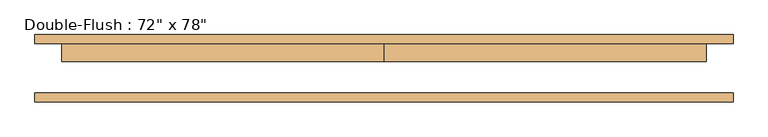
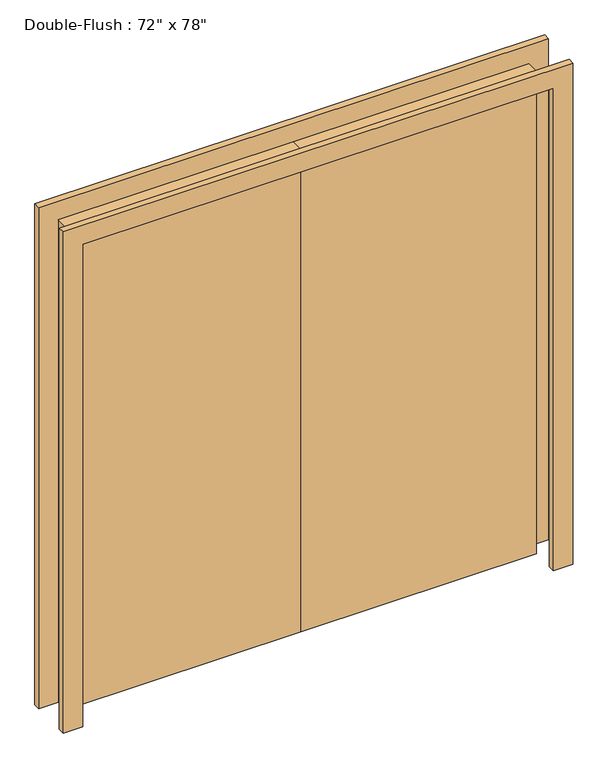
"""IFC4 building model written with IfcOpenShell, lengths in millimetres: door geometry."""

import ifcopenshell
import ifcopenshell.guid

model = None  # the IFC model being written
_history = None  # IfcOwnerHistory: only IFC2X3 demands one
_inside = {}  # id of a spatial element -> (the spatial element, [elements in it])
_under = {}  # id of a project, library or spatial element -> (it, [spatial elements below it])
_declared = {}  # id of a project -> (the project, [libraries it declares])
_typed = {}  # id of a type object -> (the type object, [elements of that type])
_made_of = {}  # id of a material, layer set ... -> (it, [elements and type objects made of it])


def new_model(schema):
    """Start an empty IFC model of exactly this schema.

    Asked for "IFC4X3", IfcOpenShell would pick the latest addendum, in which some entities
    have other attributes; the version numbers below select the first issue.
    IFC2X3 requires an IfcOwnerHistory on every rooted entity: one is made here for all.
    """
    global model, _history
    if schema == "IFC4X3":
        model = ifcopenshell.file(schema_version=(4, 3, 0, 0))
    else:
        model = ifcopenshell.file(schema=schema)
    _inside.clear()
    _under.clear()
    _declared.clear()
    _typed.clear()
    _made_of.clear()
    _history = None
    if model.schema == "IFC2X3":
        org = make("IfcOrganization", Name="unknown")
        user = make(
            "IfcPersonAndOrganization",
            ThePerson=make("IfcPerson", FamilyName="unknown"),
            TheOrganization=org,
        )
        app = make(
            "IfcApplication",
            ApplicationDeveloper=org,
            Version="unknown",
            ApplicationFullName="unknown",
            ApplicationIdentifier="unknown",
        )
        _history = make(
            "IfcOwnerHistory",
            OwningUser=user,
            OwningApplication=app,
            ChangeAction="ADDED",
            CreationDate=0,
        )
    return model


def make(cls, **values):
    """One entity of the class cls with the attributes given. An attribute that is None is left unset."""
    return model.create_entity(
        cls, **{name: value for name, value in values.items() if value is not None}
    )


def rooted(cls, **values):
    """An entity with a GlobalId (a new one), such as an element, a storey or a relation."""
    return make(cls, GlobalId=ifcopenshell.guid.new(), OwnerHistory=_history, **values)


def si_unit(unit_type, name, prefix=None):
    """IfcSIUnit, for example si_unit("LENGTHUNIT", "METRE", prefix="MILLI")."""
    return make("IfcSIUnit", UnitType=unit_type, Prefix=prefix, Name=name)


def assignment(units):
    """IfcUnitAssignment: the units of a project."""
    return None if units is None else make("IfcUnitAssignment", Units=units)


def point(xyz):
    """IfcCartesianPoint."""
    return None if xyz is None else make("IfcCartesianPoint", Coordinates=xyz)


def direction(xyz):
    """IfcDirection."""
    return None if xyz is None else make("IfcDirection", DirectionRatios=xyz)


def frame(location, z_axis=None, x_axis=None):
    """IfcAxis2Placement3D, a coordinate frame: its origin and axes. An axis left out is left unset."""
    return make(
        "IfcAxis2Placement3D",
        Location=point(location),
        Axis=direction(z_axis),
        RefDirection=direction(x_axis),
    )


def origin():
    """The frame at (0, 0, 0) with its axes left unset."""
    return frame((0.0, 0.0, 0.0))


def origin_with_axes():
    """The frame at (0, 0, 0) with the z axis (0, 0, 1) and the x axis (1, 0, 0) written out."""
    return frame((0.0, 0.0, 0.0), z_axis=(0.0, 0.0, 1.0), x_axis=(1.0, 0.0, 0.0))


def place(relative_to, where):
    """IfcLocalPlacement: puts the frame where relative to a parent placement (None: the world)."""
    return make(
        "IfcLocalPlacement", PlacementRelTo=relative_to, RelativePlacement=where
    )


def context(
    kind, dimensions, precision=None, world=None, true_north=None, identifier=None
):
    """IfcGeometricRepresentationContext, for example the 3D "Model" context."""
    return make(
        "IfcGeometricRepresentationContext",
        ContextIdentifier=identifier,
        ContextType=kind,
        CoordinateSpaceDimension=dimensions,
        Precision=precision,
        WorldCoordinateSystem=world,
        TrueNorth=true_north,
    )


def project(units=None, contexts=None):
    """IfcProject with its units and contexts."""
    return rooted(
        "IfcProject",
        Name="project",
        RepresentationContexts=contexts,
        UnitsInContext=assignment(units),
    )


def spatial(cls, under=None, at=None, **own):
    """A site, building, storey or space (cls), placed at a placement, below another one or the project."""
    s = rooted(cls, ObjectPlacement=at, **own)
    if under is not None:
        _under.setdefault(under.id(), (under, []))[1].append(s)
    return s


def polyline(points):
    """IfcPolyline through the points."""
    return make("IfcPolyline", Points=[point(p) for p in points])


def outline(outer, holes=None, kind="AREA"):
    """IfcArbitraryClosedProfileDef: a profile drawn as a closed curve; with holes, ...WithVoids."""
    if holes is None:
        return make("IfcArbitraryClosedProfileDef", ProfileType=kind, OuterCurve=outer)
    return make(
        "IfcArbitraryProfileDefWithVoids",
        ProfileType=kind,
        OuterCurve=outer,
        InnerCurves=holes,
    )


def extrude(swept, where, along, depth):
    """IfcExtrudedAreaSolid: the profile swept, set in the frame where, extruded along a direction by depth."""
    return make(
        "IfcExtrudedAreaSolid",
        SweptArea=swept,
        Position=where,
        ExtrudedDirection=direction(along),
        Depth=depth,
    )


def shape(context_of_items, identifier, shape_type, items):
    """IfcShapeRepresentation: the items that make up one representation, for example the "Body"."""
    return make(
        "IfcShapeRepresentation",
        ContextOfItems=context_of_items,
        RepresentationIdentifier=identifier,
        RepresentationType=shape_type,
        Items=items,
    )


def source(mapping_origin, context_of_items, identifier, shape_type, items):
    """IfcRepresentationMap: a shape defined once, which mapped items show again and again."""
    return make(
        "IfcRepresentationMap",
        MappingOrigin=mapping_origin,
        MappedRepresentation=shape(context_of_items, identifier, shape_type, items),
    )


def transform(
    local_origin,
    x_axis=None,
    y_axis=None,
    z_axis=None,
    scale=None,
    scale2=None,
    scale3=None,
    uniform=True,
):
    """IfcCartesianTransformationOperator3D, or its non-uniform kind. x_axis, y_axis, z_axis: its Axis1, 2, 3."""
    if uniform:
        return make(
            "IfcCartesianTransformationOperator3D",
            Axis1=direction(x_axis),
            Axis2=direction(y_axis),
            LocalOrigin=point(local_origin),
            Scale=scale,
            Axis3=direction(z_axis),
        )
    return make(
        "IfcCartesianTransformationOperator3DnonUniform",
        Axis1=direction(x_axis),
        Axis2=direction(y_axis),
        LocalOrigin=point(local_origin),
        Scale=scale,
        Axis3=direction(z_axis),
        Scale2=scale2,
        Scale3=scale3,
    )


def mapped(mapping_source, mapping_target):
    """IfcMappedItem: shows the shape of a source again, moved by a transform."""
    return make(
        "IfcMappedItem", MappingSource=mapping_source, MappingTarget=mapping_target
    )


def made_of(thing, what):
    """Note that an element or type object is made of a material, layer set ...; save() writes the relation."""
    if what is not None:
        _made_of.setdefault(what.id(), (what, []))[1].append(thing)
    return thing


def element(
    cls,
    number,
    at=None,
    inside=None,
    cuts=None,
    type_object=None,
    material=None,
    context=None,
    identifier="Body",
    shape_type=None,
    held_by="IfcProductDefinitionShape",
    body=None,
    shapes=None,
    **own,
):
    """One element of the class cls, such as IfcWall. Its Tag is "e" and its number.

    at: its placement. inside: the storey or other place that contains it. cuts: it is an
    opening in that element (IfcRelVoidsElement). A single representation is given by context,
    identifier, shape_type and body (its items); several are given by shapes. held_by: the class
    of the entity that holds the representations. save() writes the other relations.
    """
    e = rooted(cls, Tag="e%d" % number, ObjectPlacement=at, **own)
    if body is not None:
        shapes = [shape(context, identifier, shape_type, body)]
    if shapes is not None:
        e.Representation = make(held_by, Representations=shapes)
    if inside is not None:
        _inside.setdefault(inside.id(), (inside, []))[1].append(e)
    if cuts is not None:
        rooted(
            "IfcRelVoidsElement", RelatingBuildingElement=cuts, RelatedOpeningElement=e
        )
    if type_object is not None:
        _typed.setdefault(type_object.id(), (type_object, []))[1].append(e)
    return made_of(e, material)


def aggregate(whole, parts):
    """IfcRelAggregates: a whole, such as a stair, and the parts it consists of."""
    return rooted("IfcRelAggregates", RelatingObject=whole, RelatedObjects=parts)


def save(model, path):
    """Write the relations noted so far, then the file.

    IfcRelAggregates (storeys below a building ...), IfcRelContainedInSpatialStructure (elements
    in a storey), IfcRelDefinesByType, IfcRelAssociatesMaterial and IfcRelDeclares: one each for
    every whole, place, type object, material and project.
    """
    for whole, parts in _under.values():
        aggregate(whole, parts)
    for where, things in _inside.values():
        rooted(
            "IfcRelContainedInSpatialStructure",
            RelatedElements=things,
            RelatingStructure=where,
        )
    for kind, things in _typed.values():
        rooted("IfcRelDefinesByType", RelatedObjects=things, RelatingType=kind)
    for what, things in _made_of.values():
        rooted("IfcRelAssociatesMaterial", RelatedObjects=things, RelatingMaterial=what)
    for by, libraries in _declared.values():
        rooted("IfcRelDeclares", RelatingContext=by, RelatedDefinitions=libraries)
    model.write(path)


def door_e65af56b(model_context):
    return source(origin(), model_context, "Body", "SweptSolid", [
        extrude(outline(polyline([(0.0, 69.85), (914.4, 69.85), (914.4, 19.05), (0.0, 19.05), (0.0, 69.85)])), origin_with_axes(), (0.0, 0.0, 1.0), 1981.2),
        extrude(outline(polyline([(-914.4, 69.85), (0.0, 69.85), (0.0, 19.05), (-914.4, 19.05), (-914.4, 69.85)])), origin_with_axes(), (0.0, 0.0, 1.0), 1981.2),
        extrude(outline(polyline([(1981.2, -914.4), (1981.2, 914.4), (0.0, 914.4), (0.0, 990.6), (2057.4, 990.6), (2057.4, -990.6), (0.0, -990.6), (0.0, -914.4), (1981.2, -914.4)])), frame((0.0, -95.25, 0.0), z_axis=(0.0, 1.0, 0.0), x_axis=(0.0, 0.0, 1.0)), (0.0, 0.0, 1.0), 25.4),
        extrude(outline(polyline([(1981.2, -914.4), (1981.2, 914.4), (0.0, 914.4), (0.0, 990.6), (2057.4, 990.6), (2057.4, -990.6), (0.0, -990.6), (0.0, -914.4), (1981.2, -914.4)])), frame((0.0, 69.85, 0.0), z_axis=(0.0, 1.0, 0.0), x_axis=(0.0, 0.0, 1.0)), (0.0, 0.0, 1.0), 25.4),
    ])


if __name__ == "__main__":
    model = new_model("IFC4")
    model_context = context("Model", 3, world=origin())
    ifc_project = project(units=[si_unit("LENGTHUNIT", "METRE", prefix="MILLI")], contexts=[model_context])
    site = spatial("IfcSite", under=ifc_project)
    building = spatial("IfcBuilding", under=site)
    placement = place(None, origin())
    door_shape = door_e65af56b(model_context)
    element("IfcDoor", 1, ObjectType="Double-Flush : 72\" x 78\"", at=placement, inside=building, context=model_context, shape_type="MappedRepresentation", body=[
        mapped(door_shape, transform((0.0, 0.0, 0.0), x_axis=(1.0, 0.0, 0.0), y_axis=(0.0, 1.0, 0.0), z_axis=(0.0, 0.0, 1.0))),
    ])
    save(model, "model.ifc")
